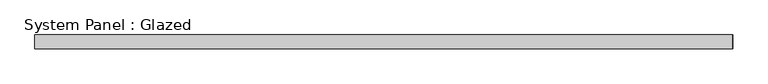
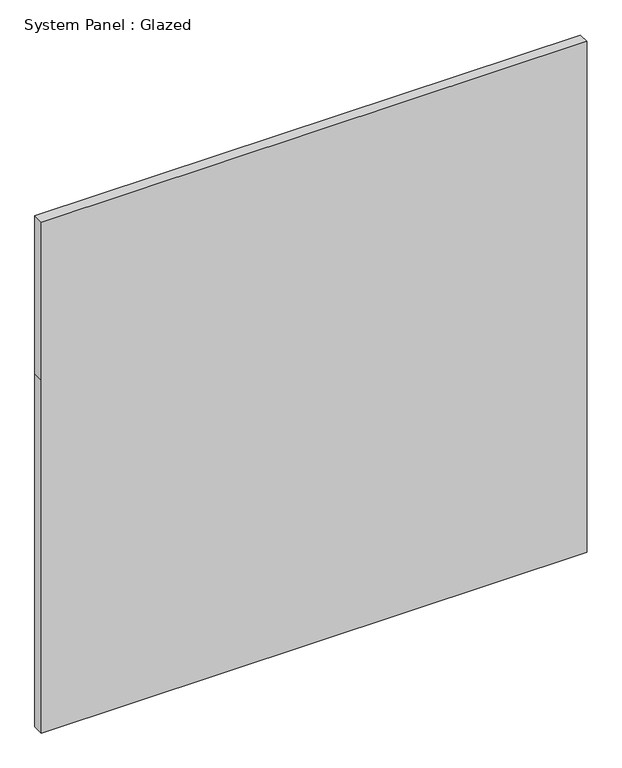
"""IFC4 building model written with IfcOpenShell, lengths in millimetres: plate geometry, System Panel : Glazed."""

from ifc_helpers import new_model, si_unit, frame, origin, place, context, project, spatial, polyline, outline, extrude, source, transform, mapped, element, save


def system_panel_glazed_6a9f7095(model_context):
    return source(origin(), model_context, "Body", "SweptSolid", [
        extrude(outline(polyline([(0.0, -622.7), (0.0, 621.9000003), (0.0, 622.7), (850.9, 622.7), (850.9, 621.9000003), (1231.9, 621.9000003), (1231.9, -622.7), (850.9, -622.7), (0.0, -622.7)])), frame((0.0, 24.5, 0.0), z_axis=(0.0, 1.0, 0.0), x_axis=(0.0, 0.0, 1.0)), (0.0, 0.0, 1.0), 25.0),
    ])


if __name__ == "__main__":
    model = new_model("IFC4")
    model_context = context("Model", 3, world=origin())
    ifc_project = project(units=[si_unit("LENGTHUNIT", "METRE", prefix="MILLI")], contexts=[model_context])
    site = spatial("IfcSite", under=ifc_project)
    building = spatial("IfcBuilding", under=site)
    placement = place(None, origin())
    system_panel_glazed_shape = system_panel_glazed_6a9f7095(model_context)
    element("IfcPlate", 1, ObjectType="System Panel : Glazed", at=placement, inside=building, context=model_context, shape_type="MappedRepresentation", body=[
        mapped(system_panel_glazed_shape, transform((0.0, 0.0, 0.0), x_axis=(1.0, 0.0, 0.0), y_axis=(0.0, 1.0, 0.0), z_axis=(0.0, 0.0, 1.0))),
    ])
    save(model, "model.ifc")
